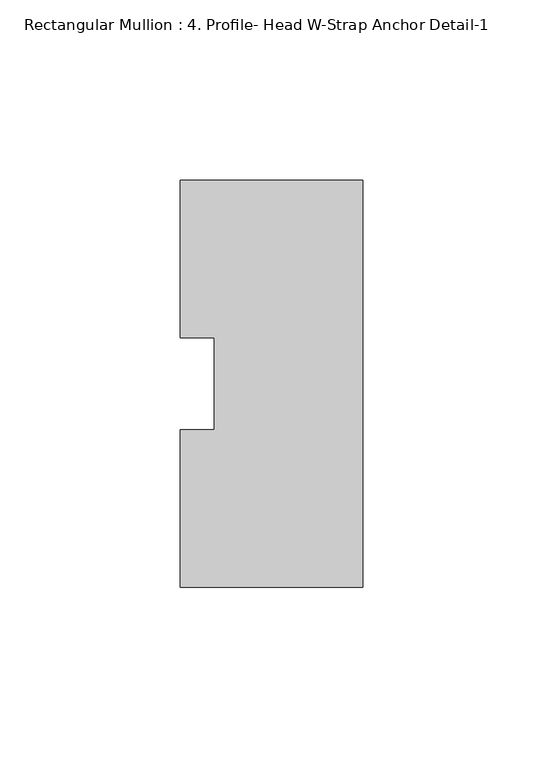
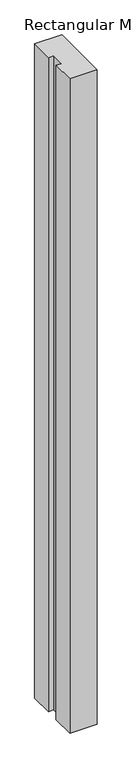
"""IFC4 building model written with IfcOpenShell, lengths in millimetres: member geometry, Rectangular Mullion : 4. Profile- Head W-Strap Anchor Detail-1."""

import ifcopenshell
import ifcopenshell.guid

model = None  # the IFC model being written
_history = None  # IfcOwnerHistory: only IFC2X3 demands one
_inside = {}  # id of a spatial element -> (the spatial element, [elements in it])
_under = {}  # id of a project, library or spatial element -> (it, [spatial elements below it])
_declared = {}  # id of a project -> (the project, [libraries it declares])
_typed = {}  # id of a type object -> (the type object, [elements of that type])
_made_of = {}  # id of a material, layer set ... -> (it, [elements and type objects made of it])


def new_model(schema):
    """Start an empty IFC model of exactly this schema.

    Asked for "IFC4X3", IfcOpenShell would pick the latest addendum, in which some entities
    have other attributes; the version numbers below select the first issue.
    IFC2X3 requires an IfcOwnerHistory on every rooted entity: one is made here for all.
    """
    global model, _history
    if schema == "IFC4X3":
        model = ifcopenshell.file(schema_version=(4, 3, 0, 0))
    else:
        model = ifcopenshell.file(schema=schema)
    _inside.clear()
    _under.clear()
    _declared.clear()
    _typed.clear()
    _made_of.clear()
    _history = None
    if model.schema == "IFC2X3":
        org = make("IfcOrganization", Name="unknown")
        user = make(
            "IfcPersonAndOrganization",
            ThePerson=make("IfcPerson", FamilyName="unknown"),
            TheOrganization=org,
        )
        app = make(
            "IfcApplication",
            ApplicationDeveloper=org,
            Version="unknown",
            ApplicationFullName="unknown",
            ApplicationIdentifier="unknown",
        )
        _history = make(
            "IfcOwnerHistory",
            OwningUser=user,
            OwningApplication=app,
            ChangeAction="ADDED",
            CreationDate=0,
        )
    return model


def make(cls, **values):
    """One entity of the class cls with the attributes given. An attribute that is None is left unset."""
    return model.create_entity(
        cls, **{name: value for name, value in values.items() if value is not None}
    )


def rooted(cls, **values):
    """An entity with a GlobalId (a new one), such as an element, a storey or a relation."""
    return make(cls, GlobalId=ifcopenshell.guid.new(), OwnerHistory=_history, **values)


def si_unit(unit_type, name, prefix=None):
    """IfcSIUnit, for example si_unit("LENGTHUNIT", "METRE", prefix="MILLI")."""
    return make("IfcSIUnit", UnitType=unit_type, Prefix=prefix, Name=name)


def assignment(units):
    """IfcUnitAssignment: the units of a project."""
    return None if units is None else make("IfcUnitAssignment", Units=units)


def point(xyz):
    """IfcCartesianPoint."""
    return None if xyz is None else make("IfcCartesianPoint", Coordinates=xyz)


def direction(xyz):
    """IfcDirection."""
    return None if xyz is None else make("IfcDirection", DirectionRatios=xyz)


def frame(location, z_axis=None, x_axis=None):
    """IfcAxis2Placement3D, a coordinate frame: its origin and axes. An axis left out is left unset."""
    return make(
        "IfcAxis2Placement3D",
        Location=point(location),
        Axis=direction(z_axis),
        RefDirection=direction(x_axis),
    )


def origin():
    """The frame at (0, 0, 0) with its axes left unset."""
    return frame((0.0, 0.0, 0.0))


def place(relative_to, where):
    """IfcLocalPlacement: puts the frame where relative to a parent placement (None: the world)."""
    return make(
        "IfcLocalPlacement", PlacementRelTo=relative_to, RelativePlacement=where
    )


def context(
    kind, dimensions, precision=None, world=None, true_north=None, identifier=None
):
    """IfcGeometricRepresentationContext, for example the 3D "Model" context."""
    return make(
        "IfcGeometricRepresentationContext",
        ContextIdentifier=identifier,
        ContextType=kind,
        CoordinateSpaceDimension=dimensions,
        Precision=precision,
        WorldCoordinateSystem=world,
        TrueNorth=true_north,
    )


def project(units=None, contexts=None):
    """IfcProject with its units and contexts."""
    return rooted(
        "IfcProject",
        Name="project",
        RepresentationContexts=contexts,
        UnitsInContext=assignment(units),
    )


def spatial(cls, under=None, at=None, **own):
    """A site, building, storey or space (cls), placed at a placement, below another one or the project."""
    s = rooted(cls, ObjectPlacement=at, **own)
    if under is not None:
        _under.setdefault(under.id(), (under, []))[1].append(s)
    return s


def polyline(points):
    """IfcPolyline through the points."""
    return make("IfcPolyline", Points=[point(p) for p in points])


def outline(outer, holes=None, kind="AREA"):
    """IfcArbitraryClosedProfileDef: a profile drawn as a closed curve; with holes, ...WithVoids."""
    if holes is None:
        return make("IfcArbitraryClosedProfileDef", ProfileType=kind, OuterCurve=outer)
    return make(
        "IfcArbitraryProfileDefWithVoids",
        ProfileType=kind,
        OuterCurve=outer,
        InnerCurves=holes,
    )


def extrude(swept, where, along, depth):
    """IfcExtrudedAreaSolid: the profile swept, set in the frame where, extruded along a direction by depth."""
    return make(
        "IfcExtrudedAreaSolid",
        SweptArea=swept,
        Position=where,
        ExtrudedDirection=direction(along),
        Depth=depth,
    )


def shape(context_of_items, identifier, shape_type, items):
    """IfcShapeRepresentation: the items that make up one representation, for example the "Body"."""
    return make(
        "IfcShapeRepresentation",
        ContextOfItems=context_of_items,
        RepresentationIdentifier=identifier,
        RepresentationType=shape_type,
        Items=items,
    )


def source(mapping_origin, context_of_items, identifier, shape_type, items):
    """IfcRepresentationMap: a shape defined once, which mapped items show again and again."""
    return make(
        "IfcRepresentationMap",
        MappingOrigin=mapping_origin,
        MappedRepresentation=shape(context_of_items, identifier, shape_type, items),
    )


def transform(
    local_origin,
    x_axis=None,
    y_axis=None,
    z_axis=None,
    scale=None,
    scale2=None,
    scale3=None,
    uniform=True,
):
    """IfcCartesianTransformationOperator3D, or its non-uniform kind. x_axis, y_axis, z_axis: its Axis1, 2, 3."""
    if uniform:
        return make(
            "IfcCartesianTransformationOperator3D",
            Axis1=direction(x_axis),
            Axis2=direction(y_axis),
            LocalOrigin=point(local_origin),
            Scale=scale,
            Axis3=direction(z_axis),
        )
    return make(
        "IfcCartesianTransformationOperator3DnonUniform",
        Axis1=direction(x_axis),
        Axis2=direction(y_axis),
        LocalOrigin=point(local_origin),
        Scale=scale,
        Axis3=direction(z_axis),
        Scale2=scale2,
        Scale3=scale3,
    )


def mapped(mapping_source, mapping_target):
    """IfcMappedItem: shows the shape of a source again, moved by a transform."""
    return make(
        "IfcMappedItem", MappingSource=mapping_source, MappingTarget=mapping_target
    )


def made_of(thing, what):
    """Note that an element or type object is made of a material, layer set ...; save() writes the relation."""
    if what is not None:
        _made_of.setdefault(what.id(), (what, []))[1].append(thing)
    return thing


def element(
    cls,
    number,
    at=None,
    inside=None,
    cuts=None,
    type_object=None,
    material=None,
    context=None,
    identifier="Body",
    shape_type=None,
    held_by="IfcProductDefinitionShape",
    body=None,
    shapes=None,
    **own,
):
    """One element of the class cls, such as IfcWall. Its Tag is "e" and its number.

    at: its placement. inside: the storey or other place that contains it. cuts: it is an
    opening in that element (IfcRelVoidsElement). A single representation is given by context,
    identifier, shape_type and body (its items); several are given by shapes. held_by: the class
    of the entity that holds the representations. save() writes the other relations.
    """
    e = rooted(cls, Tag="e%d" % number, ObjectPlacement=at, **own)
    if body is not None:
        shapes = [shape(context, identifier, shape_type, body)]
    if shapes is not None:
        e.Representation = make(held_by, Representations=shapes)
    if inside is not None:
        _inside.setdefault(inside.id(), (inside, []))[1].append(e)
    if cuts is not None:
        rooted(
            "IfcRelVoidsElement", RelatingBuildingElement=cuts, RelatedOpeningElement=e
        )
    if type_object is not None:
        _typed.setdefault(type_object.id(), (type_object, []))[1].append(e)
    return made_of(e, material)


def aggregate(whole, parts):
    """IfcRelAggregates: a whole, such as a stair, and the parts it consists of."""
    return rooted("IfcRelAggregates", RelatingObject=whole, RelatedObjects=parts)


def save(model, path):
    """Write the relations noted so far, then the file.

    IfcRelAggregates (storeys below a building ...), IfcRelContainedInSpatialStructure (elements
    in a storey), IfcRelDefinesByType, IfcRelAssociatesMaterial and IfcRelDeclares: one each for
    every whole, place, type object, material and project.
    """
    for whole, parts in _under.values():
        aggregate(whole, parts)
    for where, things in _inside.values():
        rooted(
            "IfcRelContainedInSpatialStructure",
            RelatedElements=things,
            RelatingStructure=where,
        )
    for kind, things in _typed.values():
        rooted("IfcRelDefinesByType", RelatedObjects=things, RelatingType=kind)
    for what, things in _made_of.values():
        rooted("IfcRelAssociatesMaterial", RelatedObjects=things, RelatingMaterial=what)
    for by, libraries in _declared.values():
        rooted("IfcRelDeclares", RelatingContext=by, RelatedDefinitions=libraries)
    model.write(path)


def rectangular_mullion_4_profile_head_w_strap_anchor_detail_1_88be8ac6(model_context):
    return source(origin(), model_context, "Body", "SweptSolid", [
        extrude(outline(polyline([(0.0, -56.4996521), (-50.8, -56.4996521), (-50.8, -12.7143182), (-41.275, -12.7143182), (-41.275, 12.7733801), (-50.8, 12.7733801), (-50.8, 56.5810209), (0.0, 56.5810209), (0.0, -56.4996521)])), frame((0.0, 0.0, -1282.7), z_axis=(0.0, 0.0, 1.0), x_axis=(1.0, 0.0, 0.0)), (0.0, 0.0, 1.0), 1282.7),
    ])


if __name__ == "__main__":
    model = new_model("IFC4")
    model_context = context("Model", 3, world=origin())
    ifc_project = project(units=[si_unit("LENGTHUNIT", "METRE", prefix="MILLI")], contexts=[model_context])
    site = spatial("IfcSite", under=ifc_project)
    building = spatial("IfcBuilding", under=site)
    placement = place(None, origin())
    rectangular_mullion_4_profile_head_w_strap_anchor_detail_1_shape = rectangular_mullion_4_profile_head_w_strap_anchor_detail_1_88be8ac6(model_context)
    element("IfcMember", 1, ObjectType="Rectangular Mullion : 4. Profile- Head W-Strap Anchor Detail-1", at=placement, inside=building, context=model_context, shape_type="MappedRepresentation", body=[
        mapped(rectangular_mullion_4_profile_head_w_strap_anchor_detail_1_shape, transform((0.0, 0.0, 0.0), x_axis=(1.0, 0.0, 0.0), y_axis=(0.0, 1.0, 0.0), z_axis=(0.0, 0.0, 1.0))),
    ])
    save(model, "model.ifc")
